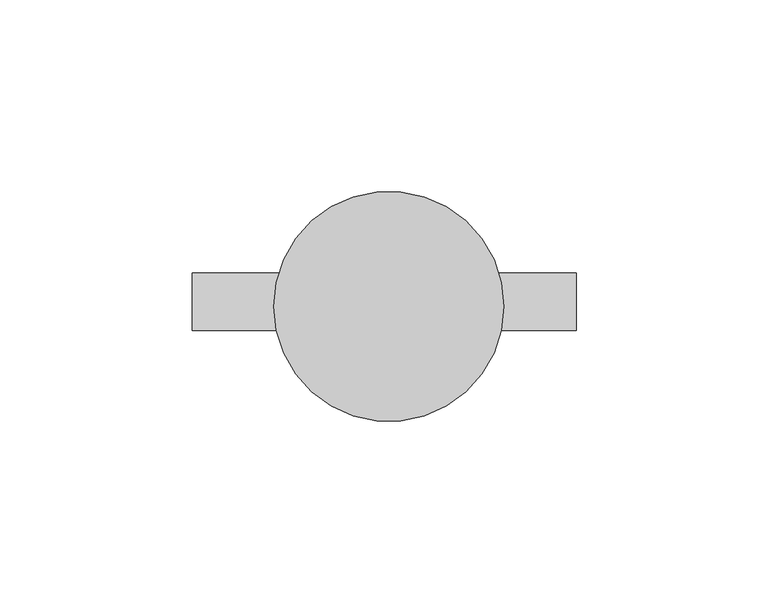
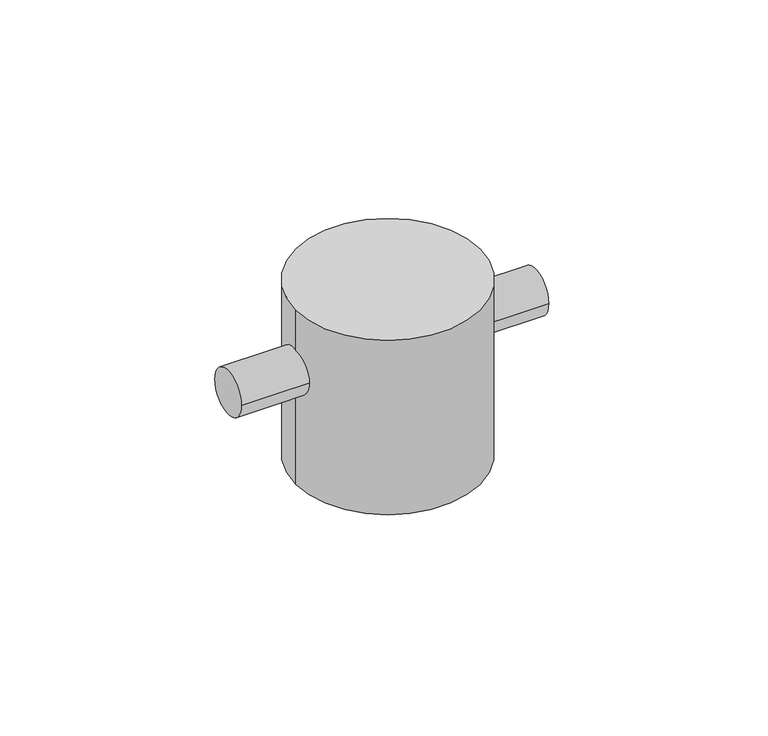
"""IFC4 building model written with IfcOpenShell, lengths in millimetres: proxy geometry."""

from ifc_helpers import new_model, si_unit, point, frame, frame_2d, origin, place, context, project, spatial, circle_curve, trimmed, segment, composite_curve, outline, extrude, source, transform, mapped, element, save


def entourage_42d594ea(model_context):
    return source(origin(), model_context, "Body", "SweptSolid", [
        extrude(outline(composite_curve([segment(trimmed(circle_curve(frame_2d((-1241.5861711, 6338.3411628)), 7.5), [point((-1234.0861711, 6338.3411628))], [point((-1249.0861711, 6338.3411628))], False, "CARTESIAN"), True, "CONTINUOUS"), segment(trimmed(circle_curve(frame_2d((-1241.5861711, 6338.3411628)), 7.5), [point((-1249.0861711, 6338.3411628))], [point((-1234.0861711, 6338.3411628))], False, "CARTESIAN"), True, "CONTINUOUS")], self_intersect=False)), frame((-3814.6548114, 0.0, 0.0), z_axis=(1.0, 0.0, 0.0), x_axis=(0.0, 1.0, 0.0)), (0.0, 0.0, 1.0), 100.0),
        extrude(outline(composite_curve([segment(trimmed(circle_curve(frame_2d((-3763.4108573, -1242.8301252)), 30.0), [point((-3793.4108573, -1242.8301252))], [point((-3733.4108573, -1242.8301252))], False, "CARTESIAN"), True, "CONTINUOUS"), segment(trimmed(circle_curve(frame_2d((-3763.4108573, -1242.8301252)), 30.0), [point((-3733.4108573, -1242.8301252))], [point((-3793.4108573, -1242.8301252))], False, "CARTESIAN"), True, "CONTINUOUS")], self_intersect=False)), frame((0.0, 0.0, 6300.0), z_axis=(0.0, 0.0, 1.0), x_axis=(1.0, 0.0, 0.0)), (0.0, 0.0, 1.0), 60.0),
    ])


if __name__ == "__main__":
    model = new_model("IFC4")
    model_context = context("Model", 3, world=origin())
    ifc_project = project(units=[si_unit("LENGTHUNIT", "METRE", prefix="MILLI")], contexts=[model_context])
    site = spatial("IfcSite", under=ifc_project)
    building = spatial("IfcBuilding", under=site)
    placement = place(None, origin())
    entourage_shape = entourage_42d594ea(model_context)
    element("IfcBuildingElementProxy", 1, Name="Entourage", at=placement, inside=building, context=model_context, shape_type="MappedRepresentation", body=[
        mapped(entourage_shape, transform((0.0, 0.0, 0.0), x_axis=(1.0, 0.0, 0.0), y_axis=(0.0, 1.0, 0.0), z_axis=(0.0, 0.0, 1.0))),
    ])
    save(model, "model.ifc")
